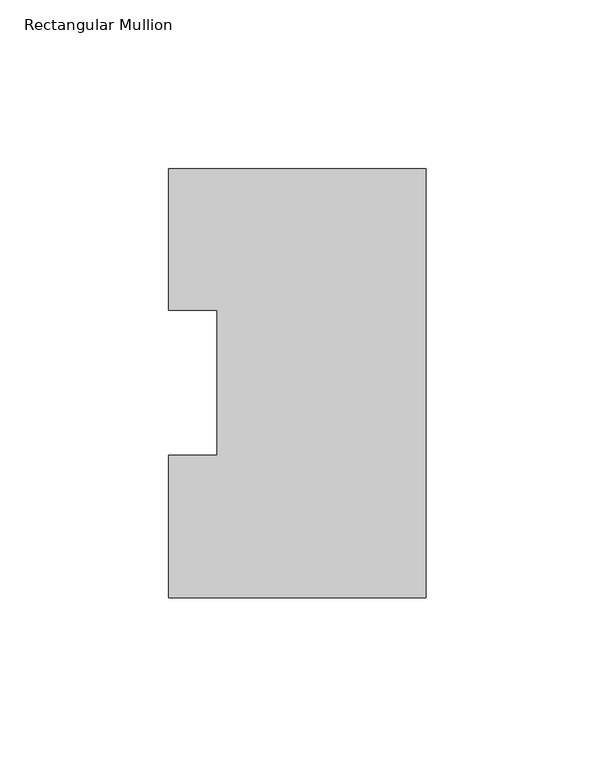
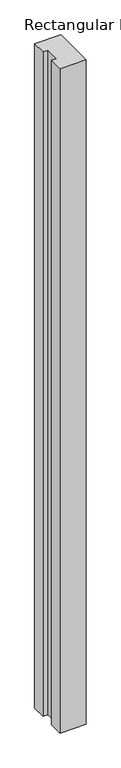
"""IFC4 building model written with IfcOpenShell, lengths in millimetres: member geometry, Rectangular Mullion."""

from ifc_helpers import new_model, si_unit, frame, origin, place, context, project, spatial, polyline, outline, extrude, source, transform, mapped, element, save


def rectangular_mullion_d486eca1(model_context):
    return source(origin(), model_context, "Body", "SweptSolid", [
        extrude(outline(polyline([(0.0, 126.9888875), (0.0, -0.0111125), (-76.1989149, -0.0111125), (-76.1989149, 42.2798875), (-61.9139549, 42.2798875), (-61.9139549, 85.1296875), (-76.1989149, 85.1296875), (-76.1989149, 126.9888875), (0.0, 126.9888875)])), frame((0.0, 0.0, -2044.4591858), z_axis=(0.0, 0.0, 1.0), x_axis=(1.0, 0.0, 0.0)), (0.0, 0.0, 1.0), 2044.4591858),
    ])


if __name__ == "__main__":
    model = new_model("IFC4")
    model_context = context("Model", 3, world=origin())
    ifc_project = project(units=[si_unit("LENGTHUNIT", "METRE", prefix="MILLI")], contexts=[model_context])
    site = spatial("IfcSite", under=ifc_project)
    building = spatial("IfcBuilding", under=site)
    placement = place(None, origin())
    rectangular_mullion_shape = rectangular_mullion_d486eca1(model_context)
    element("IfcMember", 1, ObjectType="Rectangular Mullion", at=placement, inside=building, context=model_context, shape_type="MappedRepresentation", body=[
        mapped(rectangular_mullion_shape, transform((0.0, 0.0, 0.0), x_axis=(1.0, 0.0, 0.0), y_axis=(0.0, 1.0, 0.0), z_axis=(0.0, 0.0, 1.0))),
    ])
    save(model, "model.ifc")
